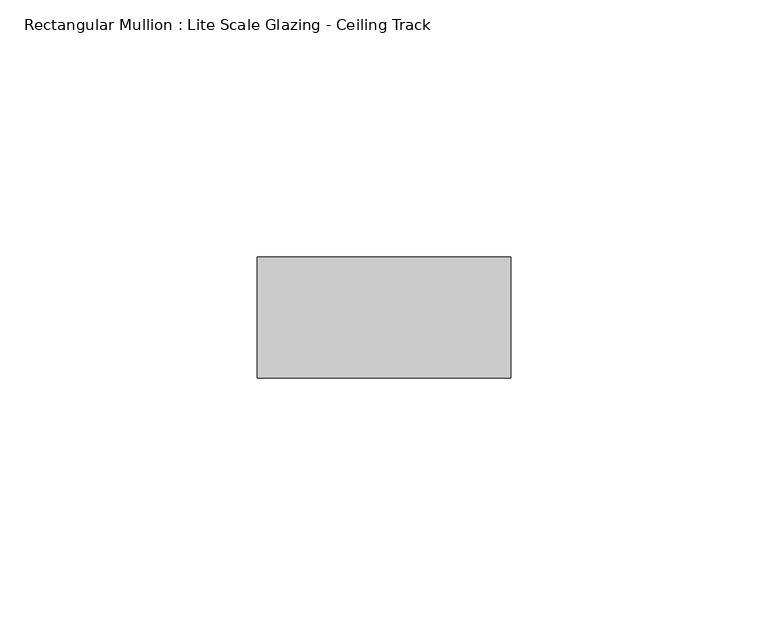
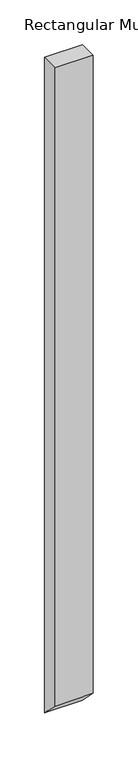
"""IFC4 building model written with IfcOpenShell, lengths in millimetres: member geometry, Rectangular Mullion : Lite Scale Glazing - Ceiling Track."""

from ifc_helpers import new_model, si_unit, frame, origin, place, context, project, spatial, polyline, outline, extrude, source, transform, mapped, element, save


def rectangular_mullion_lite_scale_glazing_ceiling_track_021c6d58(model_context):
    return source(origin(), model_context, "Body", "SweptSolid", [
        extrude(outline(polyline([(-11.7474999, 0.0), (11.7474999, 0.0), (11.7474999, -894.893733), (-11.7474999, -871.3987331), (-11.7474999, 0.0)])), frame((-49.276, 0.0, 0.0), z_axis=(1.0, 0.0, 0.0), x_axis=(0.0, 1.0, 0.0)), (0.0, 0.0, 1.0), 49.276),
    ])


if __name__ == "__main__":
    model = new_model("IFC4")
    model_context = context("Model", 3, world=origin())
    ifc_project = project(units=[si_unit("LENGTHUNIT", "METRE", prefix="MILLI")], contexts=[model_context])
    site = spatial("IfcSite", under=ifc_project)
    building = spatial("IfcBuilding", under=site)
    placement = place(None, origin())
    rectangular_mullion_lite_scale_glazing_ceiling_track_shape = rectangular_mullion_lite_scale_glazing_ceiling_track_021c6d58(model_context)
    element("IfcMember", 1, ObjectType="Rectangular Mullion : Lite Scale Glazing - Ceiling Track", at=placement, inside=building, context=model_context, shape_type="MappedRepresentation", body=[
        mapped(rectangular_mullion_lite_scale_glazing_ceiling_track_shape, transform((0.0, 0.0, 0.0), x_axis=(1.0, 0.0, 0.0), y_axis=(0.0, 1.0, 0.0), z_axis=(0.0, 0.0, 1.0))),
    ])
    save(model, "model.ifc")
